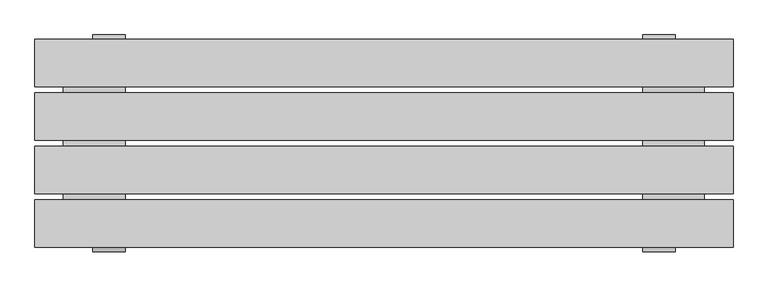
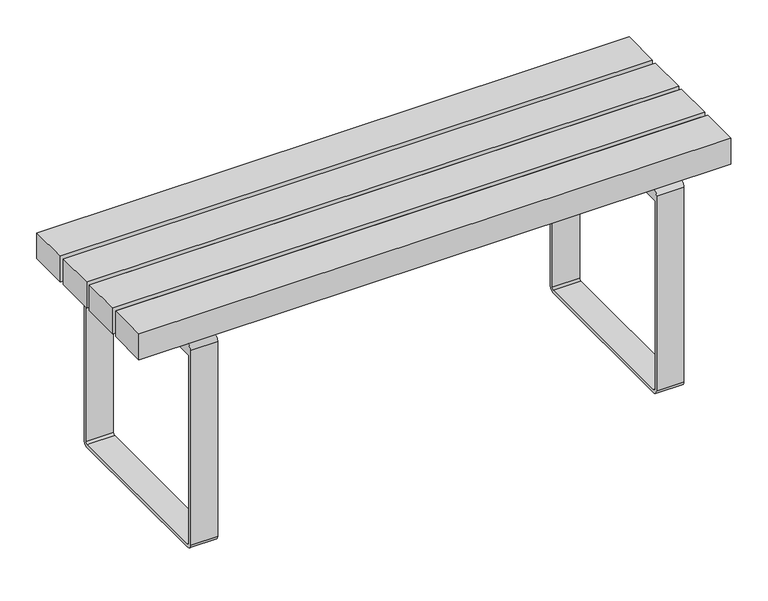
"""IFC4 building model written with IfcOpenShell, lengths in millimetres: furniture geometry."""

import ifcopenshell
import ifcopenshell.guid

model = None  # the IFC model being written
_history = None  # IfcOwnerHistory: only IFC2X3 demands one
_inside = {}  # id of a spatial element -> (the spatial element, [elements in it])
_under = {}  # id of a project, library or spatial element -> (it, [spatial elements below it])
_declared = {}  # id of a project -> (the project, [libraries it declares])
_typed = {}  # id of a type object -> (the type object, [elements of that type])
_made_of = {}  # id of a material, layer set ... -> (it, [elements and type objects made of it])


def new_model(schema):
    """Start an empty IFC model of exactly this schema.

    Asked for "IFC4X3", IfcOpenShell would pick the latest addendum, in which some entities
    have other attributes; the version numbers below select the first issue.
    IFC2X3 requires an IfcOwnerHistory on every rooted entity: one is made here for all.
    """
    global model, _history
    if schema == "IFC4X3":
        model = ifcopenshell.file(schema_version=(4, 3, 0, 0))
    else:
        model = ifcopenshell.file(schema=schema)
    _inside.clear()
    _under.clear()
    _declared.clear()
    _typed.clear()
    _made_of.clear()
    _history = None
    if model.schema == "IFC2X3":
        org = make("IfcOrganization", Name="unknown")
        user = make(
            "IfcPersonAndOrganization",
            ThePerson=make("IfcPerson", FamilyName="unknown"),
            TheOrganization=org,
        )
        app = make(
            "IfcApplication",
            ApplicationDeveloper=org,
            Version="unknown",
            ApplicationFullName="unknown",
            ApplicationIdentifier="unknown",
        )
        _history = make(
            "IfcOwnerHistory",
            OwningUser=user,
            OwningApplication=app,
            ChangeAction="ADDED",
            CreationDate=0,
        )
    return model


def make(cls, **values):
    """One entity of the class cls with the attributes given. An attribute that is None is left unset."""
    return model.create_entity(
        cls, **{name: value for name, value in values.items() if value is not None}
    )


def rooted(cls, **values):
    """An entity with a GlobalId (a new one), such as an element, a storey or a relation."""
    return make(cls, GlobalId=ifcopenshell.guid.new(), OwnerHistory=_history, **values)


def si_unit(unit_type, name, prefix=None):
    """IfcSIUnit, for example si_unit("LENGTHUNIT", "METRE", prefix="MILLI")."""
    return make("IfcSIUnit", UnitType=unit_type, Prefix=prefix, Name=name)


def assignment(units):
    """IfcUnitAssignment: the units of a project."""
    return None if units is None else make("IfcUnitAssignment", Units=units)


def point(xyz):
    """IfcCartesianPoint."""
    return None if xyz is None else make("IfcCartesianPoint", Coordinates=xyz)


def direction(xyz):
    """IfcDirection."""
    return None if xyz is None else make("IfcDirection", DirectionRatios=xyz)


def frame(location, z_axis=None, x_axis=None):
    """IfcAxis2Placement3D, a coordinate frame: its origin and axes. An axis left out is left unset."""
    return make(
        "IfcAxis2Placement3D",
        Location=point(location),
        Axis=direction(z_axis),
        RefDirection=direction(x_axis),
    )


def frame_2d(location, x_axis=None):
    """IfcAxis2Placement2D, a coordinate frame in the plane: its origin and x axis."""
    return make(
        "IfcAxis2Placement2D", Location=point(location), RefDirection=direction(x_axis)
    )


def origin():
    """The frame at (0, 0, 0) with its axes left unset."""
    return frame((0.0, 0.0, 0.0))


def place(relative_to, where):
    """IfcLocalPlacement: puts the frame where relative to a parent placement (None: the world)."""
    return make(
        "IfcLocalPlacement", PlacementRelTo=relative_to, RelativePlacement=where
    )


def context(
    kind, dimensions, precision=None, world=None, true_north=None, identifier=None
):
    """IfcGeometricRepresentationContext, for example the 3D "Model" context."""
    return make(
        "IfcGeometricRepresentationContext",
        ContextIdentifier=identifier,
        ContextType=kind,
        CoordinateSpaceDimension=dimensions,
        Precision=precision,
        WorldCoordinateSystem=world,
        TrueNorth=true_north,
    )


def project(units=None, contexts=None):
    """IfcProject with its units and contexts."""
    return rooted(
        "IfcProject",
        Name="project",
        RepresentationContexts=contexts,
        UnitsInContext=assignment(units),
    )


def spatial(cls, under=None, at=None, **own):
    """A site, building, storey or space (cls), placed at a placement, below another one or the project."""
    s = rooted(cls, ObjectPlacement=at, **own)
    if under is not None:
        _under.setdefault(under.id(), (under, []))[1].append(s)
    return s


def polyline(points):
    """IfcPolyline through the points."""
    return make("IfcPolyline", Points=[point(p) for p in points])


def circle_curve(where, radius):
    """IfcCircle in the frame where."""
    return make("IfcCircle", Position=where, Radius=radius)


def trimmed(basis, trim1, trim2, sense, master):
    """IfcTrimmedCurve: the piece of a basis curve between two trims."""
    return make(
        "IfcTrimmedCurve",
        BasisCurve=basis,
        Trim1=trim1,
        Trim2=trim2,
        SenseAgreement=sense,
        MasterRepresentation=master,
    )


def segment(curve, same_sense, transition):
    """IfcCompositeCurveSegment."""
    return make(
        "IfcCompositeCurveSegment",
        Transition=transition,
        SameSense=same_sense,
        ParentCurve=curve,
    )


def composite_curve(segments, self_intersect=None):
    """IfcCompositeCurve: segments joined end to end."""
    return make("IfcCompositeCurve", Segments=segments, SelfIntersect=self_intersect)


def outline(outer, holes=None, kind="AREA"):
    """IfcArbitraryClosedProfileDef: a profile drawn as a closed curve; with holes, ...WithVoids."""
    if holes is None:
        return make("IfcArbitraryClosedProfileDef", ProfileType=kind, OuterCurve=outer)
    return make(
        "IfcArbitraryProfileDefWithVoids",
        ProfileType=kind,
        OuterCurve=outer,
        InnerCurves=holes,
    )


def extrude(swept, where, along, depth):
    """IfcExtrudedAreaSolid: the profile swept, set in the frame where, extruded along a direction by depth."""
    return make(
        "IfcExtrudedAreaSolid",
        SweptArea=swept,
        Position=where,
        ExtrudedDirection=direction(along),
        Depth=depth,
    )


def shape(context_of_items, identifier, shape_type, items):
    """IfcShapeRepresentation: the items that make up one representation, for example the "Body"."""
    return make(
        "IfcShapeRepresentation",
        ContextOfItems=context_of_items,
        RepresentationIdentifier=identifier,
        RepresentationType=shape_type,
        Items=items,
    )


def source(mapping_origin, context_of_items, identifier, shape_type, items):
    """IfcRepresentationMap: a shape defined once, which mapped items show again and again."""
    return make(
        "IfcRepresentationMap",
        MappingOrigin=mapping_origin,
        MappedRepresentation=shape(context_of_items, identifier, shape_type, items),
    )


def transform(
    local_origin,
    x_axis=None,
    y_axis=None,
    z_axis=None,
    scale=None,
    scale2=None,
    scale3=None,
    uniform=True,
):
    """IfcCartesianTransformationOperator3D, or its non-uniform kind. x_axis, y_axis, z_axis: its Axis1, 2, 3."""
    if uniform:
        return make(
            "IfcCartesianTransformationOperator3D",
            Axis1=direction(x_axis),
            Axis2=direction(y_axis),
            LocalOrigin=point(local_origin),
            Scale=scale,
            Axis3=direction(z_axis),
        )
    return make(
        "IfcCartesianTransformationOperator3DnonUniform",
        Axis1=direction(x_axis),
        Axis2=direction(y_axis),
        LocalOrigin=point(local_origin),
        Scale=scale,
        Axis3=direction(z_axis),
        Scale2=scale2,
        Scale3=scale3,
    )


def mapped(mapping_source, mapping_target):
    """IfcMappedItem: shows the shape of a source again, moved by a transform."""
    return make(
        "IfcMappedItem", MappingSource=mapping_source, MappingTarget=mapping_target
    )


def made_of(thing, what):
    """Note that an element or type object is made of a material, layer set ...; save() writes the relation."""
    if what is not None:
        _made_of.setdefault(what.id(), (what, []))[1].append(thing)
    return thing


def element(
    cls,
    number,
    at=None,
    inside=None,
    cuts=None,
    type_object=None,
    material=None,
    context=None,
    identifier="Body",
    shape_type=None,
    held_by="IfcProductDefinitionShape",
    body=None,
    shapes=None,
    **own,
):
    """One element of the class cls, such as IfcWall. Its Tag is "e" and its number.

    at: its placement. inside: the storey or other place that contains it. cuts: it is an
    opening in that element (IfcRelVoidsElement). A single representation is given by context,
    identifier, shape_type and body (its items); several are given by shapes. held_by: the class
    of the entity that holds the representations. save() writes the other relations.
    """
    e = rooted(cls, Tag="e%d" % number, ObjectPlacement=at, **own)
    if body is not None:
        shapes = [shape(context, identifier, shape_type, body)]
    if shapes is not None:
        e.Representation = make(held_by, Representations=shapes)
    if inside is not None:
        _inside.setdefault(inside.id(), (inside, []))[1].append(e)
    if cuts is not None:
        rooted(
            "IfcRelVoidsElement", RelatingBuildingElement=cuts, RelatedOpeningElement=e
        )
    if type_object is not None:
        _typed.setdefault(type_object.id(), (type_object, []))[1].append(e)
    return made_of(e, material)


def aggregate(whole, parts):
    """IfcRelAggregates: a whole, such as a stair, and the parts it consists of."""
    return rooted("IfcRelAggregates", RelatingObject=whole, RelatedObjects=parts)


def save(model, path):
    """Write the relations noted so far, then the file.

    IfcRelAggregates (storeys below a building ...), IfcRelContainedInSpatialStructure (elements
    in a storey), IfcRelDefinesByType, IfcRelAssociatesMaterial and IfcRelDeclares: one each for
    every whole, place, type object, material and project.
    """
    for whole, parts in _under.values():
        aggregate(whole, parts)
    for where, things in _inside.values():
        rooted(
            "IfcRelContainedInSpatialStructure",
            RelatedElements=things,
            RelatingStructure=where,
        )
    for kind, things in _typed.values():
        rooted("IfcRelDefinesByType", RelatedObjects=things, RelatingType=kind)
    for what, things in _made_of.values():
        rooted("IfcRelAssociatesMaterial", RelatedObjects=things, RelatingMaterial=what)
    for by, libraries in _declared.values():
        rooted("IfcRelDeclares", RelatingContext=by, RelatedDefinitions=libraries)
    model.write(path)


def furniture_88f11b2a(model_context):
    return source(origin(), model_context, "Body", "SweptSolid", [
        extrude(outline(composite_curve([segment(polyline([(264.5000908, 0.0), (-264.4998001, 0.0)]), True, "CONTINUOUS"), segment(trimmed(circle_curve(frame_2d((-264.4998001, 15.0)), 15.0), [point((-264.4998001, 0.0))], [point((-279.4998001, 15.0))], False, "CARTESIAN"), True, "CONTINUOUS"), segment(polyline([(-279.4998001, 15.0), (-279.4998001, 641.6990066)]), True, "CONTINUOUS"), segment(trimmed(circle_curve(frame_2d((-264.4998001, 641.6990066)), 15.0), [point((-279.4998001, 641.6990066))], [point((-264.4998001, 656.6990066))], False, "CARTESIAN"), True, "CONTINUOUS"), segment(polyline([(-264.4998001, 656.6990066), (264.5000908, 656.6990066)]), True, "CONTINUOUS"), segment(trimmed(circle_curve(frame_2d((264.5000908, 641.6990066)), 15.0), [point((264.5000908, 656.6990066))], [point((279.5000908, 641.6990066))], False, "CARTESIAN"), True, "CONTINUOUS"), segment(polyline([(279.5000908, 641.6990066), (279.5000908, 15.0)]), True, "CONTINUOUS"), segment(trimmed(circle_curve(frame_2d((264.5000908, 15.0)), 15.0), [point((279.5000908, 15.0))], [point((264.5000908, 0.0))], False, "CARTESIAN"), True, "CONTINUOUS")], self_intersect=False), holes=[composite_curve([segment(trimmed(circle_curve(frame_2d((-262.9998291, 16.5)), 6.5), [point((-269.4998291, 16.5))], [point((-262.9998291, 10.0))], True, "CARTESIAN"), True, "CONTINUOUS"), segment(polyline([(-262.9998291, 10.0), (263.0001198, 10.0)]), True, "CONTINUOUS"), segment(trimmed(circle_curve(frame_2d((263.0001198, 16.5)), 6.5), [point((263.0001198, 10.0))], [point((269.5001198, 16.5))], True, "CARTESIAN"), True, "CONTINUOUS"), segment(polyline([(269.5001198, 16.5), (269.5001198, 619.9539286), (-269.4998291, 619.9539286), (-269.4998291, 16.5)]), True, "CONTINUOUS")], self_intersect=False)]), frame((-750.3000601, 0.0, 0.0), z_axis=(1.0, 0.0, 0.0), x_axis=(0.0, 1.0, 0.0)), (0.0, 0.0, 1.0), 83.000021),
        extrude(outline(polyline([(900.0, 268.4998398), (900.0, 145.4998398), (-900.0, 145.4998398), (-900.0, 268.4998398), (900.0, 268.4998398)])), frame((0.0, 0.0, 656.6990066), z_axis=(0.0, 0.0, 1.0), x_axis=(1.0, 0.0, 0.0)), (0.0, 0.0, 1.0), 83.1049466),
        extrude(outline(polyline([(900.0, -145.4826926), (900.0, -268.4826926), (-900.0, -268.4826926), (-900.0, -145.4826926), (900.0, -145.4826926)])), frame((0.0, 0.0, 656.6990066), z_axis=(0.0, 0.0, 1.0), x_axis=(1.0, 0.0, 0.0)), (0.0, 0.0, 1.0), 83.1049466),
        extrude(outline(polyline([(739.8039532, 900.0000373), (739.8039532, -900.0), (656.6990066, -900.0), (656.6990066, 900.0000373), (739.8039532, 900.0000373)]), holes=[polyline([(727.8039532, -888.0), (727.8039532, 888.0), (668.6990066, 888.0), (668.6990066, -888.0), (727.8039532, -888.0)])]), frame((0.0, -130.5001671, 0.0), z_axis=(0.0, 1.0, 0.0), x_axis=(0.0, 0.0, 1.0)), (0.0, 0.0, 1.0), 123.0000435),
        extrude(outline(polyline([(739.8039532, 900.0000373), (739.8039532, -900.0), (656.6990066, -900.0), (656.6990066, 900.0000373), (739.8039532, 900.0000373)]), holes=[polyline([(727.8039532, -888.0), (727.8039532, 888.0), (668.6990066, 888.0), (668.6990066, -888.0), (727.8039532, -888.0)])]), frame((0.0, 7.4998329, 0.0), z_axis=(0.0, 1.0, 0.0), x_axis=(0.0, 0.0, 1.0)), (0.0, 0.0, 1.0), 123.0000435),
        extrude(outline(composite_curve([segment(polyline([(264.5000908, 0.0), (-264.4998001, 0.0)]), True, "CONTINUOUS"), segment(trimmed(circle_curve(frame_2d((-264.4998001, 15.0)), 15.0), [point((-264.4998001, 0.0))], [point((-279.4998001, 15.0))], False, "CARTESIAN"), True, "CONTINUOUS"), segment(polyline([(-279.4998001, 15.0), (-279.4998001, 641.6990066)]), True, "CONTINUOUS"), segment(trimmed(circle_curve(frame_2d((-264.4998001, 641.6990066)), 15.0), [point((-279.4998001, 641.6990066))], [point((-264.4998001, 656.6990066))], False, "CARTESIAN"), True, "CONTINUOUS"), segment(polyline([(-264.4998001, 656.6990066), (264.5000908, 656.6990066)]), True, "CONTINUOUS"), segment(trimmed(circle_curve(frame_2d((264.5000908, 641.6990066)), 15.0), [point((264.5000908, 656.6990066))], [point((279.5000908, 641.6990066))], False, "CARTESIAN"), True, "CONTINUOUS"), segment(polyline([(279.5000908, 641.6990066), (279.5000908, 15.0)]), True, "CONTINUOUS"), segment(trimmed(circle_curve(frame_2d((264.5000908, 15.0)), 15.0), [point((279.5000908, 15.0))], [point((264.5000908, 0.0))], False, "CARTESIAN"), True, "CONTINUOUS")], self_intersect=False), holes=[composite_curve([segment(trimmed(circle_curve(frame_2d((-262.9998291, 16.5)), 6.5), [point((-269.4998291, 16.5))], [point((-262.9998291, 10.0))], True, "CARTESIAN"), True, "CONTINUOUS"), segment(polyline([(-262.9998291, 10.0), (263.0001198, 10.0)]), True, "CONTINUOUS"), segment(trimmed(circle_curve(frame_2d((263.0001198, 16.5)), 6.5), [point((263.0001198, 10.0))], [point((269.5001198, 16.5))], True, "CARTESIAN"), True, "CONTINUOUS"), segment(polyline([(269.5001198, 16.5), (269.5001198, 619.9539286), (-269.4998291, 619.9539286), (-269.4998291, 16.5)]), True, "CONTINUOUS")], self_intersect=False)]), frame((667.3000391, 0.0, 0.0), z_axis=(1.0, 0.0, 0.0), x_axis=(0.0, 1.0, 0.0)), (0.0, 0.0, 1.0), 83.000021),
        extrude(outline(polyline([(-667.3000391, -171.2111197), (-826.9999569, -171.2111197), (-826.9999569, 240.6902822), (-667.3000391, 240.6902822), (-667.3000391, -171.2111197)])), frame((0.0, 0.0, 656.6990066), z_axis=(0.0, 0.0, 1.0), x_axis=(1.0, 0.0, 0.0)), (0.0, 0.0, 1.0), 11.1049083),
        extrude(outline(polyline([(825.0012185, -171.2111197), (667.3000391, -171.2111197), (667.3000391, 240.6902822), (825.0012185, 240.6902822), (825.0012185, -171.2111197)])), frame((0.0, 0.0, 656.6990066), z_axis=(0.0, 0.0, 1.0), x_axis=(1.0, 0.0, 0.0)), (0.0, 0.0, 1.0), 11.1049083),
    ])


if __name__ == "__main__":
    model = new_model("IFC4")
    model_context = context("Model", 3, world=origin())
    ifc_project = project(units=[si_unit("LENGTHUNIT", "METRE", prefix="MILLI")], contexts=[model_context])
    site = spatial("IfcSite", under=ifc_project)
    building = spatial("IfcBuilding", under=site)
    placement = place(None, origin())
    furniture_shape = furniture_88f11b2a(model_context)
    element("IfcFurniture", 1, at=placement, inside=building, context=model_context, shape_type="MappedRepresentation", body=[
        mapped(furniture_shape, transform((0.0, 0.0, 0.0), x_axis=(1.0, 0.0, 0.0), y_axis=(0.0, 1.0, 0.0), z_axis=(0.0, 0.0, 1.0))),
    ])
    save(model, "model.ifc")
